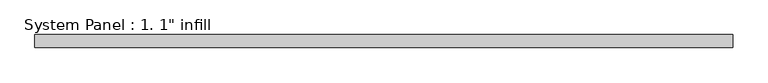
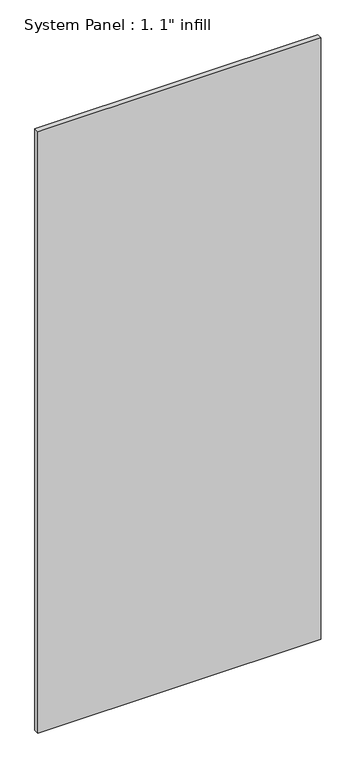
"""IFC4 building model written with IfcOpenShell, lengths in millimetres: plate geometry."""

from ifc_helpers import new_model, si_unit, origin, origin_with_axes, place, context, project, spatial, polyline, outline, extrude, source, transform, mapped, element, save


def plate_1aacb767(model_context):
    return source(origin(), model_context, "Body", "SweptSolid", [
        extrude(outline(polyline([(677.8625, -12.7), (-677.8625, -12.7), (-677.8625, 12.7), (677.8625, 12.7), (677.8625, -12.7)])), origin_with_axes(), (0.0, 0.0, 1.0), 3048.0),
    ])


if __name__ == "__main__":
    model = new_model("IFC4")
    model_context = context("Model", 3, world=origin())
    ifc_project = project(units=[si_unit("LENGTHUNIT", "METRE", prefix="MILLI")], contexts=[model_context])
    site = spatial("IfcSite", under=ifc_project)
    building = spatial("IfcBuilding", under=site)
    placement = place(None, origin())
    plate_shape = plate_1aacb767(model_context)
    element("IfcPlate", 1, ObjectType="System Panel : 1. 1\" infill", at=placement, inside=building, context=model_context, shape_type="MappedRepresentation", body=[
        mapped(plate_shape, transform((0.0, 0.0, 0.0), x_axis=(1.0, 0.0, 0.0), y_axis=(0.0, 1.0, 0.0), z_axis=(0.0, 0.0, 1.0))),
    ])
    save(model, "model.ifc")
